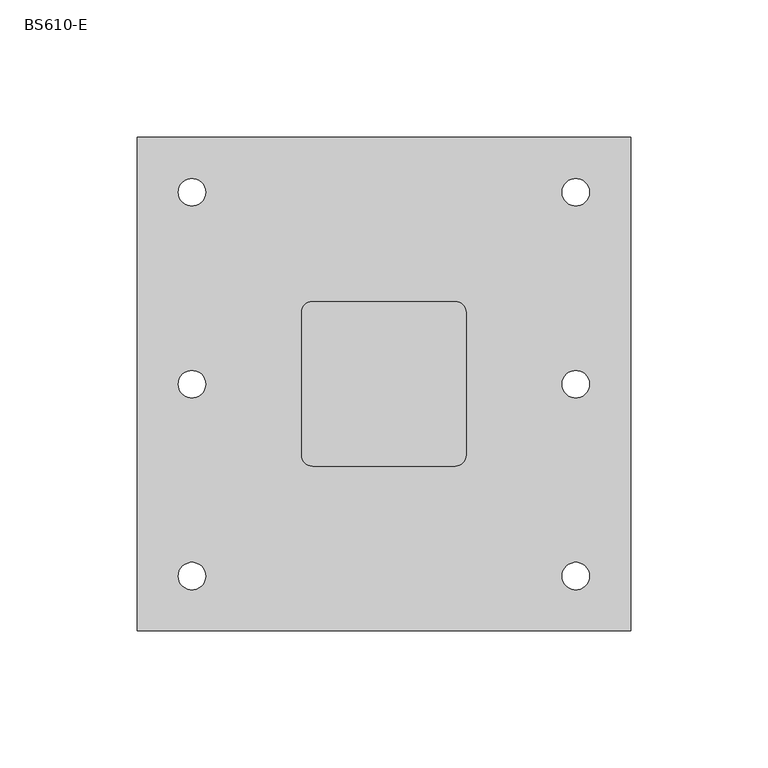
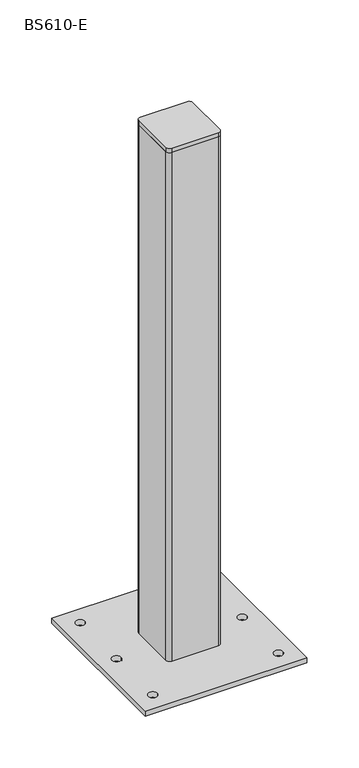
"""IFC4 building model written with IfcOpenShell, lengths in millimetres: proxy geometry, BS610-E."""

from ifc_helpers import new_model, si_unit, point, frame, frame_2d, origin, origin_with_axes, place, context, project, spatial, polyline, circle_curve, trimmed, segment, composite_curve, outline, extrude, source, transform, mapped, element, save


def bs610_e_46c27e61(model_context):
    return source(origin(), model_context, "Body", "SweptSolid", [
        extrude(outline(composite_curve([segment(trimmed(circle_curve(frame_2d((26.0, 26.0)), 4.0), [point((26.0, 30.0))], [point((30.0, 26.0))], False, "CARTESIAN"), True, "CONTINUOUS"), segment(polyline([(30.0, 26.0), (30.0, -26.0)]), True, "CONTINUOUS"), segment(trimmed(circle_curve(frame_2d((26.0, -26.0)), 4.0), [point((30.0, -26.0))], [point((26.0, -30.0))], False, "CARTESIAN"), True, "CONTINUOUS"), segment(polyline([(26.0, -30.0), (-26.0, -30.0)]), True, "CONTINUOUS"), segment(trimmed(circle_curve(frame_2d((-26.0, -26.0)), 4.0), [point((-26.0, -30.0))], [point((-30.0, -26.0))], False, "CARTESIAN"), True, "CONTINUOUS"), segment(polyline([(-30.0, -26.0), (-30.0, 26.0)]), True, "CONTINUOUS"), segment(trimmed(circle_curve(frame_2d((-26.0, 26.0)), 4.0), [point((-30.0, 26.0))], [point((-26.0, 30.0))], False, "CARTESIAN"), True, "CONTINUOUS"), segment(polyline([(-26.0, 30.0), (26.0, 30.0)]), True, "CONTINUOUS")], self_intersect=False)), frame((0.0, 0.0, 605.0), z_axis=(0.0, 0.0, 1.0), x_axis=(1.0, 0.0, 0.0)), (0.0, 0.0, 1.0), 5.0),
        extrude(outline(composite_curve([segment(polyline([(-30.0, -26.0), (-30.0, 26.0)]), True, "CONTINUOUS"), segment(trimmed(circle_curve(frame_2d((-26.0, 26.0)), 4.0), [point((-30.0, 26.0))], [point((-26.0, 30.0))], False, "CARTESIAN"), True, "CONTINUOUS"), segment(polyline([(-26.0, 30.0), (26.0, 30.0)]), True, "CONTINUOUS"), segment(trimmed(circle_curve(frame_2d((26.0, 26.0)), 4.0), [point((26.0, 30.0))], [point((30.0, 26.0))], False, "CARTESIAN"), True, "CONTINUOUS"), segment(polyline([(30.0, 26.0), (30.0, -26.0)]), True, "CONTINUOUS"), segment(trimmed(circle_curve(frame_2d((26.0, -26.0)), 4.0), [point((30.0, -26.0))], [point((26.0, -30.0))], False, "CARTESIAN"), True, "CONTINUOUS"), segment(polyline([(26.0, -30.0), (-26.0, -30.0)]), True, "CONTINUOUS"), segment(trimmed(circle_curve(frame_2d((-26.0, -26.0)), 4.0), [point((-26.0, -30.0))], [point((-30.0, -26.0))], False, "CARTESIAN"), True, "CONTINUOUS")], self_intersect=False), holes=[composite_curve([segment(polyline([(24.0, 26.0), (-24.0, 26.0)]), True, "CONTINUOUS"), segment(trimmed(circle_curve(frame_2d((-24.0, 24.0)), 2.0), [point((-24.0, 26.0))], [point((-26.0, 24.0))], True, "CARTESIAN"), True, "CONTINUOUS"), segment(polyline([(-26.0, 24.0), (-26.0, -24.0)]), True, "CONTINUOUS"), segment(trimmed(circle_curve(frame_2d((-24.0, -24.0)), 2.0), [point((-26.0, -24.0))], [point((-24.0, -26.0))], True, "CARTESIAN"), True, "CONTINUOUS"), segment(polyline([(-24.0, -26.0), (24.0, -26.0)]), True, "CONTINUOUS"), segment(trimmed(circle_curve(frame_2d((24.0, -24.0)), 2.0), [point((24.0, -26.0))], [point((26.0, -24.0))], True, "CARTESIAN"), True, "CONTINUOUS"), segment(polyline([(26.0, -24.0), (26.0, 24.0)]), True, "CONTINUOUS"), segment(trimmed(circle_curve(frame_2d((24.0, 24.0)), 2.0), [point((26.0, 24.0))], [point((24.0, 26.0))], True, "CARTESIAN"), True, "CONTINUOUS")], self_intersect=False)]), frame((0.0, 0.0, 6.0), z_axis=(0.0, 0.0, 1.0), x_axis=(1.0, 0.0, 0.0)), (0.0, 0.0, 1.0), 599.0),
        extrude(outline(polyline([(90.0, 90.0), (90.0, -90.0), (-90.0, -90.0), (-90.0, 90.0), (90.0, 90.0)]), holes=[composite_curve([segment(trimmed(circle_curve(frame_2d((-70.0, 70.0)), 5.0), [point((-75.0, 70.0))], [point((-65.0, 70.0))], True, "CARTESIAN"), True, "CONTINUOUS"), segment(trimmed(circle_curve(frame_2d((-70.0, 70.0)), 5.0), [point((-65.0, 70.0))], [point((-75.0, 70.0))], True, "CARTESIAN"), True, "CONTINUOUS")], self_intersect=False), composite_curve([segment(trimmed(circle_curve(frame_2d((-70.0, 0.0)), 5.0), [point((-75.0, 0.0))], [point((-65.0, 0.0))], True, "CARTESIAN"), True, "CONTINUOUS"), segment(trimmed(circle_curve(frame_2d((-70.0, 0.0)), 5.0), [point((-65.0, 0.0))], [point((-75.0, 0.0))], True, "CARTESIAN"), True, "CONTINUOUS")], self_intersect=False), composite_curve([segment(trimmed(circle_curve(frame_2d((-70.0, -70.0)), 5.0), [point((-75.0, -70.0))], [point((-65.0, -70.0))], True, "CARTESIAN"), True, "CONTINUOUS"), segment(trimmed(circle_curve(frame_2d((-70.0, -70.0)), 5.0), [point((-65.0, -70.0))], [point((-75.0, -70.0))], True, "CARTESIAN"), True, "CONTINUOUS")], self_intersect=False), composite_curve([segment(trimmed(circle_curve(frame_2d((70.0, -70.0)), 5.0), [point((65.0, -70.0))], [point((75.0, -70.0))], True, "CARTESIAN"), True, "CONTINUOUS"), segment(trimmed(circle_curve(frame_2d((70.0, -70.0)), 5.0), [point((75.0, -70.0))], [point((65.0, -70.0))], True, "CARTESIAN"), True, "CONTINUOUS")], self_intersect=False), composite_curve([segment(trimmed(circle_curve(frame_2d((70.0, 0.0)), 5.0), [point((65.0, 0.0))], [point((75.0, 0.0))], True, "CARTESIAN"), True, "CONTINUOUS"), segment(trimmed(circle_curve(frame_2d((70.0, 0.0)), 5.0), [point((75.0, 0.0))], [point((65.0, 0.0))], True, "CARTESIAN"), True, "CONTINUOUS")], self_intersect=False), composite_curve([segment(trimmed(circle_curve(frame_2d((70.0, 70.0)), 5.0), [point((65.0, 70.0))], [point((75.0, 70.0))], True, "CARTESIAN"), True, "CONTINUOUS"), segment(trimmed(circle_curve(frame_2d((70.0, 70.0)), 5.0), [point((75.0, 70.0))], [point((65.0, 70.0))], True, "CARTESIAN"), True, "CONTINUOUS")], self_intersect=False)]), origin_with_axes(), (0.0, 0.0, 1.0), 6.0),
    ])


if __name__ == "__main__":
    model = new_model("IFC4")
    model_context = context("Model", 3, world=origin())
    ifc_project = project(units=[si_unit("LENGTHUNIT", "METRE", prefix="MILLI")], contexts=[model_context])
    site = spatial("IfcSite", under=ifc_project)
    building = spatial("IfcBuilding", under=site)
    placement = place(None, origin())
    bs610_e_shape = bs610_e_46c27e61(model_context)
    element("IfcBuildingElementProxy", 1, Name="BS610-E", ObjectType="BS610-E", at=placement, inside=building, context=model_context, shape_type="MappedRepresentation", body=[
        mapped(bs610_e_shape, transform((0.0, 0.0, 0.0), x_axis=(1.0, 0.0, 0.0), y_axis=(0.0, 1.0, 0.0), z_axis=(0.0, 0.0, 1.0))),
    ])
    save(model, "model.ifc")
